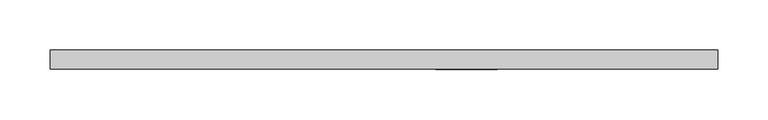
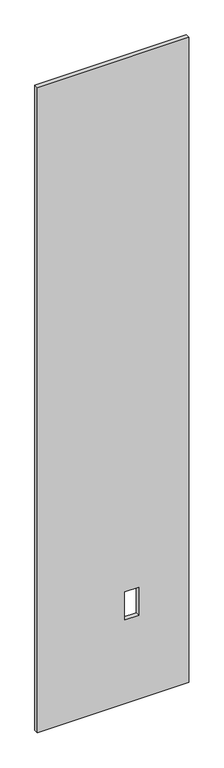
"""IFC4 building model written with IfcOpenShell, lengths in millimetres: proxy geometry."""

from ifc_helpers import new_model, si_unit, frame, origin, place, context, project, spatial, polyline, outline, extrude, source, transform, mapped, element, save


def specialty_equipment_0492b19f(model_context):
    return source(origin(), model_context, "Body", "SweptSolid", [
        extrude(outline(polyline([(2999.5368001, 332.4603284), (2999.5368001, -332.4603284), (3.175, -332.4603284), (3.175, 332.4603284), (2999.5368001, 332.4603284)]), holes=[polyline([(522.478, 112.8268), (391.922, 112.8268), (391.922, 51.3588), (522.478, 51.3588), (522.478, 112.8268)])]), frame((0.0, -9.525, 0.0), z_axis=(0.0, 1.0, 0.0), x_axis=(0.0, 0.0, 1.0)), (0.0, 0.0, 1.0), 19.05),
    ])


if __name__ == "__main__":
    model = new_model("IFC4")
    model_context = context("Model", 3, world=origin())
    ifc_project = project(units=[si_unit("LENGTHUNIT", "METRE", prefix="MILLI")], contexts=[model_context])
    site = spatial("IfcSite", under=ifc_project)
    building = spatial("IfcBuilding", under=site)
    placement = place(None, origin())
    specialty_equipment_shape = specialty_equipment_0492b19f(model_context)
    element("IfcBuildingElementProxy", 1, Name="Specialty Equipment", at=placement, inside=building, context=model_context, shape_type="MappedRepresentation", body=[
        mapped(specialty_equipment_shape, transform((0.0, 0.0, 0.0), x_axis=(1.0, 0.0, 0.0), y_axis=(0.0, 1.0, 0.0), z_axis=(0.0, 0.0, 1.0))),
    ])
    save(model, "model.ifc")
